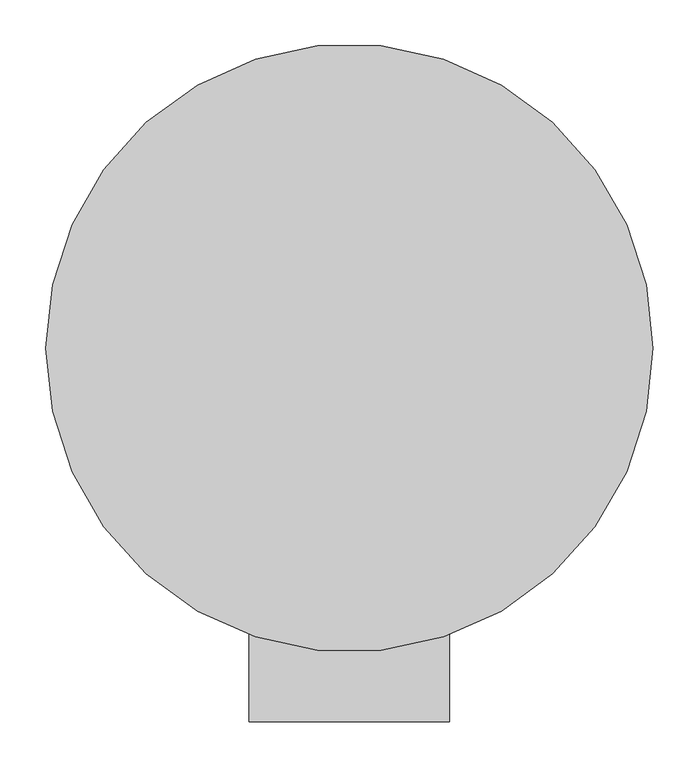
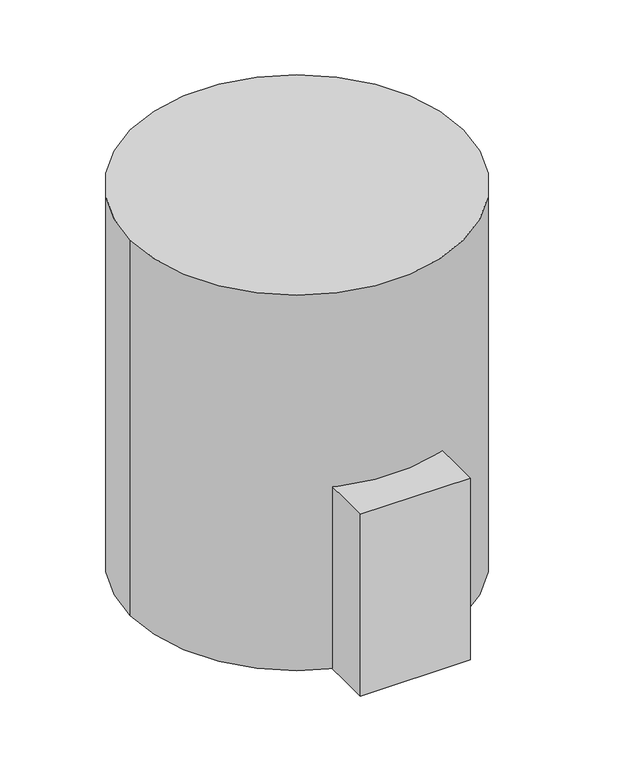
"""IFC4 building model written with IfcOpenShell, lengths in millimetres: proxy geometry."""

from ifc_helpers import new_model, si_unit, point, origin, origin_with_axes, origin_2d, place, context, project, spatial, polyline, circle_curve, trimmed, segment, composite_curve, outline, extrude, source, transform, mapped, element, save


def mechanical_equipment_15285d03(model_context):
    return source(origin(), model_context, "Body", "SweptSolid", [
        extrude(outline(polyline([(-108.966, -254.0), (108.966, -254.0), (108.966, -406.4), (-108.966, -406.4), (-108.966, -254.0)])), origin_with_axes(), (0.0, 0.0, 1.0), 381.0),
        extrude(outline(composite_curve([segment(trimmed(circle_curve(origin_2d(), 330.2), [point((-330.2, 0.0))], [point((330.2, 0.0))], False, "CARTESIAN"), True, "CONTINUOUS"), segment(trimmed(circle_curve(origin_2d(), 330.2), [point((330.2, 0.0))], [point((-330.2, 0.0))], False, "CARTESIAN"), True, "CONTINUOUS")], self_intersect=False)), origin_with_axes(), (0.0, 0.0, 1.0), 787.4),
    ])


if __name__ == "__main__":
    model = new_model("IFC4")
    model_context = context("Model", 3, world=origin())
    ifc_project = project(units=[si_unit("LENGTHUNIT", "METRE", prefix="MILLI")], contexts=[model_context])
    site = spatial("IfcSite", under=ifc_project)
    building = spatial("IfcBuilding", under=site)
    placement = place(None, origin())
    mechanical_equipment_shape = mechanical_equipment_15285d03(model_context)
    element("IfcBuildingElementProxy", 1, Name="Mechanical Equipment", at=placement, inside=building, context=model_context, shape_type="MappedRepresentation", body=[
        mapped(mechanical_equipment_shape, transform((0.0, 0.0, 0.0), x_axis=(1.0, 0.0, 0.0), y_axis=(0.0, 1.0, 0.0), z_axis=(0.0, 0.0, 1.0))),
    ])
    save(model, "model.ifc")
